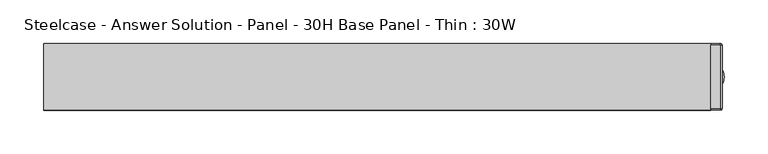
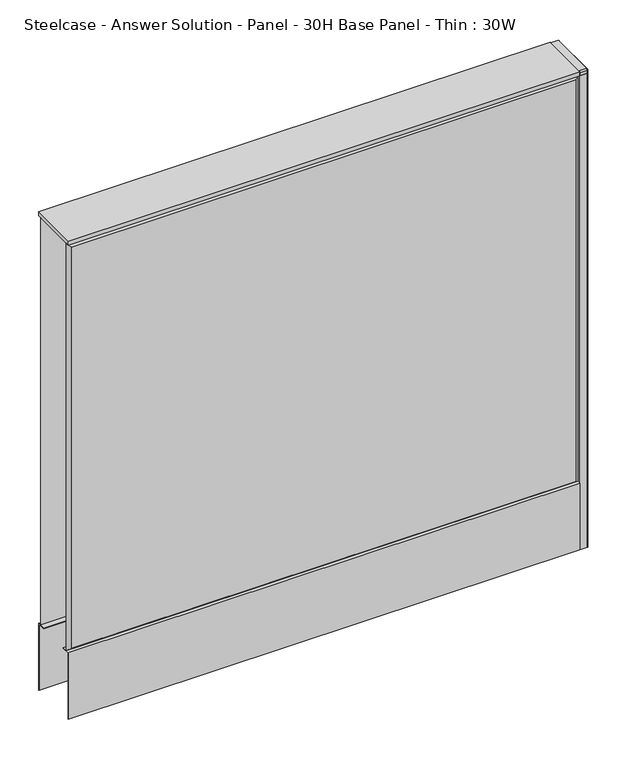
"""IFC4 building model written with IfcOpenShell, lengths in millimetres: furniture geometry, Steelcase - Answer Solution - Panel - 30H Base Panel - Thin : 30W."""

from ifc_helpers import new_model, si_unit, point, frame, frame_2d, origin, place, context, project, spatial, polyline, circle_curve, trimmed, segment, composite_curve, outline, extrude, faceted_brep, source, transform, mapped, element, save
from ifc_brep_helpers import plane_surface, cylinder_surface, revolved_surface, advanced_brep


def steelcase_answer_solution_panel_30h_base_panel_thin_30w_e8185a7b(model_context):
    return source(origin(), model_context, "Body", "SolidModel", [
        extrude(outline(polyline([(-37.3075215, 119.8575157), (-37.3075215, 15.494), (-38.1000194, 15.494), (-38.1000194, 120.65), (-25.4000011, 120.65), (-25.4000011, 119.8575157), (-37.3075215, 119.8575157)])), frame((-381.0, 0.0, 0.0), z_axis=(1.0, 0.0, 0.0), x_axis=(0.0, 1.0, 0.0)), (0.0, 0.0, 1.0), 762.0),
        extrude(outline(polyline([(37.3075215, 119.8575157), (25.4000011, 119.8575157), (25.4000011, 120.65), (38.1000194, 120.65), (38.1000194, 15.494), (37.3075215, 15.494), (37.3075215, 119.8575157)])), frame((-381.0, 0.0, 0.0), z_axis=(1.0, 0.0, 0.0), x_axis=(0.0, 1.0, 0.0)), (0.0, 0.0, 1.0), 762.0),
        extrude(outline(composite_curve([segment(trimmed(circle_curve(frame_2d((381.0, 1.94e-05)), 5.08), [point((386.08, 1.94e-05))], [point((375.92, 1.94e-05))], False, "CARTESIAN"), True, "CONTINUOUS"), segment(trimmed(circle_curve(frame_2d((381.0, 1.94e-05)), 5.08), [point((375.92, 1.94e-05))], [point((386.08, 1.94e-05))], False, "CARTESIAN"), True, "CONTINUOUS")], self_intersect=False)), frame((0.0, 0.0, 5.0799671), z_axis=(0.0, 0.0, 1.0), x_axis=(1.0, 0.0, 0.0)), (0.0, 0.0, 1.0), 10.414),
        extrude(outline(composite_curve([segment(trimmed(circle_curve(frame_2d((381.0, 1.94e-05)), 15.24), [point((396.24, 1.94e-05))], [point((365.76, 1.94e-05))], False, "CARTESIAN"), True, "CONTINUOUS"), segment(trimmed(circle_curve(frame_2d((381.0, 1.94e-05)), 15.24), [point((365.76, 1.94e-05))], [point((396.24, 1.94e-05))], False, "CARTESIAN"), True, "CONTINUOUS")], self_intersect=False)), frame((0.0, 0.0, -3.29e-05), z_axis=(0.0, 0.0, 1.0), x_axis=(1.0, 0.0, 0.0)), (0.0, 0.0, 1.0), 5.08),
        advanced_brep(
        [(391.922, 36.322, 768.3499671), (381.0, 36.322, 768.3499671), (381.0, -36.322, 768.3499671), (391.922, -36.322, 768.3499671), (393.7, 36.322, 766.5719671), (391.922, 38.1, 766.5719671), (393.7, -36.322, 766.5719671), (391.922, -38.1, 766.5719671), (381.0, -38.1, 766.5719671), (381.0, 38.1, 766.5719671), (381.0, 38.1, 761.9999671), (381.0, -38.1, 761.9999671), (393.7, -36.322, 761.9999671), (391.922, -38.1, 761.9999671), (391.922, 38.1, 761.9999671), (393.7, 36.322, 761.9999671)],
        [
            (0, 1),
            (1, 2),
            (2, 3),
            (3, 0),
            (4, 5, circle_curve(frame((391.922, 36.322, 766.5719671), z_axis=(0.0, -1.8009403492312287e-12, 1.0), x_axis=(0.0, 1.0, 1.8008960501119156e-12)), 1.778)),
            (5, 0),
            (0, 4),
            (3, 6),
            (6, 4),
            (3, 7),
            (7, 6, circle_curve(frame((391.922, -36.322, 766.5719671), z_axis=(0.0, 5.414716294386099e-12, 1.0), x_axis=(1.0, 0.0, 0.0)), 1.778)),
            (2, 8),
            (8, 7),
            (1, 9),
            (9, 10),
            (10, 11),
            (11, 8),
            (5, 9),
            (12, 6),
            (7, 13),
            (13, 12, circle_curve(frame((391.922, -36.322, 761.9999671), z_axis=(0.0, 0.0, 1.0), x_axis=(-1.0, 0.0, 0.0)), 1.778)),
            (11, 13),
            (5, 14),
            (14, 10),
            (4, 15),
            (15, 14, circle_curve(frame((391.922, 36.322, 761.9999671), z_axis=(0.0, 0.0, 1.0), x_axis=(-1.0, 0.0, 0.0)), 1.778)),
            (12, 15),
        ],
        [
            plane_surface(frame((386.461, 0.0, 768.3499671), z_axis=(0.0, 0.0, 1.0), x_axis=(0.0, -1.0, 0.0))),
            revolved_surface(polyline([(391.922, 36.322, 768.3499671), (393.7000000000032, 36.322, 766.5719670999969)]), (391.922, 36.322, 768.3499671), (0.0, 1.8009403492312287e-12, -1.0)),
            plane_surface(frame((393.7, 0.0, 766.5719671), z_axis=(0.7071067811865476, 0.0, 0.7071067811865476), x_axis=(0.0, -1.0, 0.0))),
            revolved_surface(polyline([(391.922, -36.322, 768.3499671), (391.922, -38.1, 766.5719671)]), (391.922, -36.322, 768.3499671), (0.0, -5.414716294386099e-12, -1.0)),
            plane_surface(frame((386.461, -38.1, 766.5719671), z_axis=(0.0, -0.7071067811846348, 0.7071067811884603), x_axis=(-1.0, 0.0, 0.0))),
            plane_surface(frame((381.0, 0.0, 766.5719671), z_axis=(-1.0, 0.0, 0.0), x_axis=(0.0, 1.0, 0.0))),
            plane_surface(frame((386.461, 38.1, 766.5719671), z_axis=(0.0, 0.7071067811859125, 0.7071067811871826), x_axis=(1.0, 0.0, 0.0))),
            cylinder_surface(frame((391.922, -36.322, 761.9999671), z_axis=(0.0, 0.0, 1.0), x_axis=(-1.0, 0.0, 0.0)), 1.778),
            plane_surface(frame((391.922, -38.1, 766.5719671), z_axis=(0.0, -1.0, 0.0), x_axis=(0.0, 0.0, -1.0))),
            plane_surface(frame((381.0, 38.1, 766.5719671), z_axis=(0.0, 1.0, 0.0), x_axis=(0.0, 0.0, -1.0))),
            cylinder_surface(frame((391.922, 36.322, 761.9999671), z_axis=(0.0, 0.0, 1.0), x_axis=(-1.0, 0.0, 0.0)), 1.778),
            plane_surface(frame((393.7, 36.322, 766.5719671), z_axis=(1.0, 0.0, 0.0), x_axis=(0.0, 0.0, -1.0))),
            plane_surface(frame((390.144, -36.322, 761.9999671), z_axis=(0.0, 0.0, -1.0), x_axis=(0.0, -1.0, 0.0))),
        ],
        [
            (0, [[1, 2, 3, 4]]),
            (1, [[5, 6, 7]]),
            (2, [[8, 9, -7, -4]]),
            (3, [[10, 11, -8]]),
            (4, [[12, 13, -10, -3]]),
            (5, [[14, 15, 16, 17, -12, -2]]),
            (6, [[-6, 18, -14, -1]]),
            (7, [[19, -11, 20, 21]]),
            (8, [[-20, -13, -17, 22]]),
            (9, [[-15, -18, 23, 24]]),
            (10, [[-23, -5, 25, 26]]),
            (11, [[-25, -9, -19, 27]]),
            (12, [[-21, -22, -16, -24, -26, -27]]),
        ],
    ),
        extrude(outline(composite_curve([segment(trimmed(circle_curve(frame_2d((391.922, -36.322)), 1.778), [point((393.7, -36.322))], [point((391.922, -38.1))], False, "CARTESIAN"), True, "CONTINUOUS"), segment(polyline([(391.922, -38.1), (381.0, -38.1), (381.0, 38.1), (391.922, 38.1)]), True, "CONTINUOUS"), segment(trimmed(circle_curve(frame_2d((391.922, 36.322)), 1.778), [point((391.922, 38.1))], [point((393.7, 36.322))], False, "CARTESIAN"), True, "CONTINUOUS"), segment(polyline([(393.7, 36.322), (393.7, -36.322)]), True, "CONTINUOUS")], self_intersect=False)), frame((0.0, 0.0, 15.4939671), z_axis=(0.0, 0.0, 1.0), x_axis=(1.0, 0.0, 0.0)), (0.0, 0.0, 1.0), 746.506),
        faceted_brep([(376.174, -38.100001, 757.174), (-376.174, -38.100001, 757.174), (-376.174, -38.100001, 125.476), (376.174, -38.100001, 125.476), (381.0, -33.274001, 762.0), (381.0, -33.274001, 120.65), (-381.0, -33.274001, 120.65), (-381.0, -33.274001, 762.0)], [[[0, 1, 2, 3]], [[4, 5, 6, 7]], [[4, 7, 1, 0]], [[7, 6, 2, 1]], [[6, 5, 3, 2]], [[5, 4, 0, 3]]]),
        faceted_brep([(376.174, 38.100001, 757.174), (376.174, 38.100001, 125.476), (-376.174, 38.100001, 125.476), (-376.174, 38.100001, 757.174), (381.0, 33.274001, 762.0), (-381.0, 33.274001, 762.0), (-381.0, 33.274001, 120.65), (381.0, 33.274001, 120.65)], [[[0, 1, 2, 3]], [[4, 5, 6, 7]], [[4, 0, 3, 5]], [[5, 3, 2, 6]], [[6, 2, 1, 7]], [[7, 1, 0, 4]]]),
        extrude(outline(polyline([(381.0, -38.1000194), (-381.0, -38.1000194), (-381.0, 38.1000194), (381.0, 38.1000194), (381.0, -38.1000194)])), frame((0.0, 0.0, 762.0), z_axis=(0.0, 0.0, 1.0), x_axis=(1.0, 0.0, 0.0)), (0.0, 0.0, 1.0), 6.35),
    ])


if __name__ == "__main__":
    model = new_model("IFC4")
    model_context = context("Model", 3, world=origin())
    ifc_project = project(units=[si_unit("LENGTHUNIT", "METRE", prefix="MILLI")], contexts=[model_context])
    site = spatial("IfcSite", under=ifc_project)
    building = spatial("IfcBuilding", under=site)
    placement = place(None, origin())
    steelcase_answer_solution_panel_30h_base_panel_thin_30w_shape = steelcase_answer_solution_panel_30h_base_panel_thin_30w_e8185a7b(model_context)
    element("IfcFurniture", 1, ObjectType="Steelcase - Answer Solution - Panel - 30H Base Panel - Thin : 30W", at=placement, inside=building, context=model_context, shape_type="MappedRepresentation", body=[
        mapped(steelcase_answer_solution_panel_30h_base_panel_thin_30w_shape, transform((0.0, 0.0, 0.0), x_axis=(1.0, 0.0, 0.0), y_axis=(0.0, 1.0, 0.0), z_axis=(0.0, 0.0, 1.0))),
    ])
    save(model, "model.ifc")
